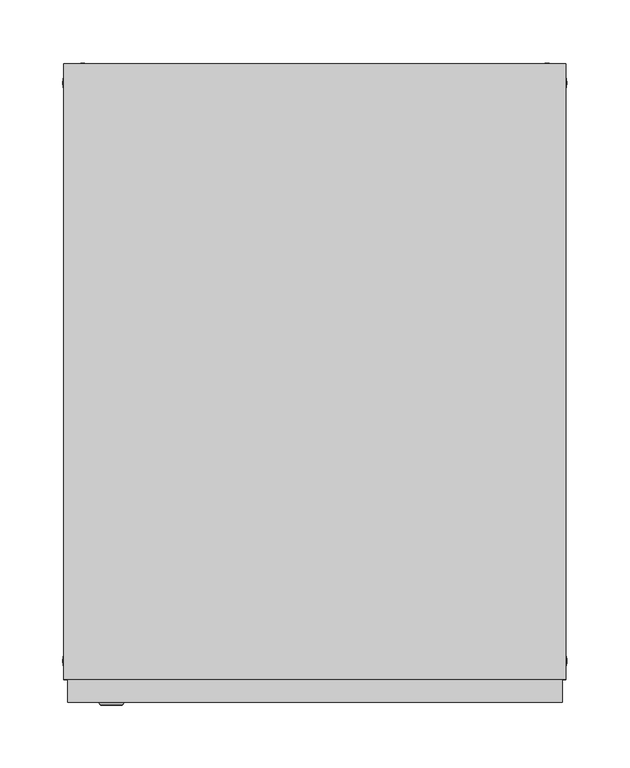
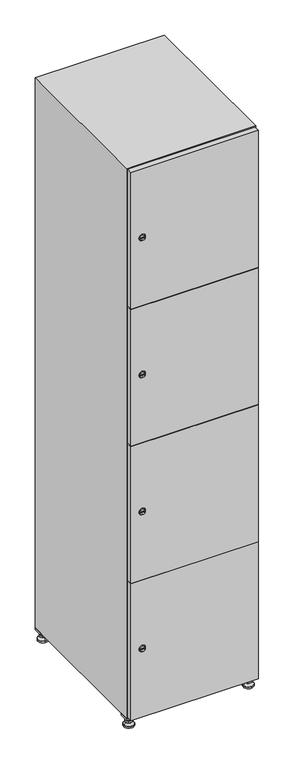
"""IFC4 building model written with IfcOpenShell, lengths in millimetres: furniture geometry."""

from ifc_helpers import new_model, si_unit, point, frame, frame_2d, origin, origin_with_axes, place, context, project, spatial, polyline, circle_curve, trimmed, segment, composite_curve, outline, extrude, faceted_brep, source, transform, mapped, element, save
from ifc_brep_helpers import plane_surface, revolved_surface, advanced_brep


def furniture_0603fc95(model_context):
    return source(origin(), model_context, "Body", "SolidModel", [
        extrude(outline(polyline([(200.0, 245.0), (200.0, 215.0), (170.0, 215.0), (170.0, 245.0), (200.0, 245.0)]), holes=[polyline([(198.0, 243.0), (172.0, 243.0), (172.0, 217.0), (198.0, 217.0), (198.0, 243.0)])]), frame((0.0, 0.0, 28.5), z_axis=(0.0, 0.0, 1.0), x_axis=(1.0, 0.0, 0.0)), (0.0, 0.0, 1.0), 6.5),
        extrude(outline(polyline([(170.0, -245.0), (170.0, -215.0), (200.0, -215.0), (200.0, -245.0), (170.0, -245.0)]), holes=[polyline([(172.0, -243.0), (198.0, -243.0), (198.0, -217.0), (172.0, -217.0), (172.0, -243.0)])]), frame((0.0, 0.0, 28.5), z_axis=(0.0, 0.0, 1.0), x_axis=(1.0, 0.0, 0.0)), (0.0, 0.0, 1.0), 6.5),
        extrude(outline(polyline([(-170.0, 245.0), (-170.0, 215.0), (-200.0, 215.0), (-200.0, 245.0), (-170.0, 245.0)]), holes=[polyline([(-172.0, 243.0), (-198.0, 243.0), (-198.0, 217.0), (-172.0, 217.0), (-172.0, 243.0)])]), frame((0.0, 0.0, 28.5), z_axis=(0.0, 0.0, 1.0), x_axis=(1.0, 0.0, 0.0)), (0.0, 0.0, 1.0), 6.5),
        extrude(outline(polyline([(-170.0, -215.0), (-170.0, -245.0), (-200.0, -245.0), (-200.0, -215.0), (-170.0, -215.0)]), holes=[polyline([(-198.0, -243.0), (-172.0, -243.0), (-172.0, -217.0), (-198.0, -217.0), (-198.0, -243.0)])]), frame((0.0, 0.0, 28.5), z_axis=(0.0, 0.0, 1.0), x_axis=(1.0, 0.0, 0.0)), (0.0, 0.0, 1.0), 6.5),
        extrude(outline(composite_curve([segment(trimmed(circle_curve(frame_2d((-185.0, 230.0)), 5.0), [point((-180.0, 230.0))], [point((-190.0, 230.0))], False, "CARTESIAN"), True, "CONTINUOUS"), segment(trimmed(circle_curve(frame_2d((-185.0, 230.0)), 5.0), [point((-190.0, 230.0))], [point((-180.0, 230.0))], False, "CARTESIAN"), True, "CONTINUOUS")], self_intersect=False)), frame((0.0, 0.0, 19.6), z_axis=(0.0, 0.0, 1.0), x_axis=(1.0, 0.0, 0.0)), (0.0, 0.0, 1.0), 15.4),
        extrude(outline(composite_curve([segment(trimmed(circle_curve(frame_2d((-185.0, -230.0)), 5.0), [point((-180.0, -230.0))], [point((-190.0, -230.0))], False, "CARTESIAN"), True, "CONTINUOUS"), segment(trimmed(circle_curve(frame_2d((-185.0, -230.0)), 5.0), [point((-190.0, -230.0))], [point((-180.0, -230.0))], False, "CARTESIAN"), True, "CONTINUOUS")], self_intersect=False)), frame((0.0, 0.0, 19.6), z_axis=(0.0, 0.0, 1.0), x_axis=(1.0, 0.0, 0.0)), (0.0, 0.0, 1.0), 15.4),
        extrude(outline(composite_curve([segment(trimmed(circle_curve(frame_2d((185.0, 230.0)), 5.0), [point((190.0, 230.0))], [point((180.0, 230.0))], False, "CARTESIAN"), True, "CONTINUOUS"), segment(trimmed(circle_curve(frame_2d((185.0, 230.0)), 5.0), [point((180.0, 230.0))], [point((190.0, 230.0))], False, "CARTESIAN"), True, "CONTINUOUS")], self_intersect=False)), frame((0.0, 0.0, 19.6), z_axis=(0.0, 0.0, 1.0), x_axis=(1.0, 0.0, 0.0)), (0.0, 0.0, 1.0), 15.4),
        extrude(outline(polyline([(173.4529946, 230.0), (179.2264973, 240.0), (190.7735027, 240.0), (196.5470054, 230.0), (190.7735027, 220.0), (179.2264973, 220.0), (173.4529946, 230.0)])), frame((0.0, 0.0, 13.6), z_axis=(0.0, 0.0, 1.0), x_axis=(1.0, 0.0, 0.0)), (0.0, 0.0, 1.0), 6.0),
        extrude(outline(composite_curve([segment(trimmed(circle_curve(frame_2d((185.0, -230.0)), 5.0), [point((190.0, -230.0))], [point((180.0, -230.0))], False, "CARTESIAN"), True, "CONTINUOUS"), segment(trimmed(circle_curve(frame_2d((185.0, -230.0)), 5.0), [point((180.0, -230.0))], [point((190.0, -230.0))], False, "CARTESIAN"), True, "CONTINUOUS")], self_intersect=False)), frame((0.0, 0.0, 19.6), z_axis=(0.0, 0.0, 1.0), x_axis=(1.0, 0.0, 0.0)), (0.0, 0.0, 1.0), 15.4),
        extrude(outline(polyline([(173.4529946, -230.0), (179.2264973, -220.0), (190.7735027, -220.0), (196.5470054, -230.0), (190.7735027, -240.0), (179.2264973, -240.0), (173.4529946, -230.0)])), frame((0.0, 0.0, 13.6), z_axis=(0.0, 0.0, 1.0), x_axis=(1.0, 0.0, 0.0)), (0.0, 0.0, 1.0), 6.0),
        extrude(outline(composite_curve([segment(trimmed(circle_curve(frame_2d((185.0, 230.0)), 5.0), [point((190.0, 230.0))], [point((180.0, 230.0))], False, "CARTESIAN"), True, "CONTINUOUS"), segment(trimmed(circle_curve(frame_2d((185.0, 230.0)), 5.0), [point((180.0, 230.0))], [point((190.0, 230.0))], False, "CARTESIAN"), True, "CONTINUOUS")], self_intersect=False)), frame((0.0, 0.0, 12.1), z_axis=(0.0, 0.0, 1.0), x_axis=(1.0, 0.0, 0.0)), (0.0, 0.0, 1.0), 1.5),
        extrude(outline(composite_curve([segment(trimmed(circle_curve(frame_2d((185.0, -230.0)), 5.0), [point((190.0, -230.0))], [point((180.0, -230.0))], False, "CARTESIAN"), True, "CONTINUOUS"), segment(trimmed(circle_curve(frame_2d((185.0, -230.0)), 5.0), [point((180.0, -230.0))], [point((190.0, -230.0))], False, "CARTESIAN"), True, "CONTINUOUS")], self_intersect=False)), frame((0.0, 0.0, 12.1), z_axis=(0.0, 0.0, 1.0), x_axis=(1.0, 0.0, 0.0)), (0.0, 0.0, 1.0), 1.5),
        extrude(outline(polyline([(-196.5470054, 230.0), (-190.7735027, 240.0), (-179.2264973, 240.0), (-173.4529946, 230.0), (-179.2264973, 220.0), (-190.7735027, 220.0), (-196.5470054, 230.0)])), frame((0.0, 0.0, 13.6), z_axis=(0.0, 0.0, 1.0), x_axis=(1.0, 0.0, 0.0)), (0.0, 0.0, 1.0), 6.0),
        extrude(outline(polyline([(-196.5470054, -230.0), (-190.7735027, -220.0), (-179.2264973, -220.0), (-173.4529946, -230.0), (-179.2264973, -240.0), (-190.7735027, -240.0), (-196.5470054, -230.0)])), frame((0.0, 0.0, 13.6), z_axis=(0.0, 0.0, 1.0), x_axis=(1.0, 0.0, 0.0)), (0.0, 0.0, 1.0), 6.0),
        extrude(outline(composite_curve([segment(trimmed(circle_curve(frame_2d((-185.0, 230.0)), 5.0), [point((-185.0, 235.0))], [point((-185.0, 225.0))], False, "CARTESIAN"), True, "CONTINUOUS"), segment(trimmed(circle_curve(frame_2d((-185.0, 230.0)), 5.0), [point((-185.0, 225.0))], [point((-185.0, 235.0))], False, "CARTESIAN"), True, "CONTINUOUS")], self_intersect=False)), frame((0.0, 0.0, 12.1), z_axis=(0.0, 0.0, 1.0), x_axis=(1.0, 0.0, 0.0)), (0.0, 0.0, 1.0), 1.5),
        extrude(outline(composite_curve([segment(trimmed(circle_curve(frame_2d((-185.0, -230.0)), 5.0), [point((-180.0, -230.0))], [point((-190.0, -230.0))], False, "CARTESIAN"), True, "CONTINUOUS"), segment(trimmed(circle_curve(frame_2d((-185.0, -230.0)), 5.0), [point((-190.0, -230.0))], [point((-180.0, -230.0))], False, "CARTESIAN"), True, "CONTINUOUS")], self_intersect=False)), frame((0.0, 0.0, 12.1), z_axis=(0.0, 0.0, 1.0), x_axis=(1.0, 0.0, 0.0)), (0.0, 0.0, 1.0), 1.5),
        extrude(outline(composite_curve([segment(trimmed(circle_curve(frame_2d((185.0, 230.0)), 15.75), [point((200.75, 230.0))], [point((169.25, 230.0))], False, "CARTESIAN"), True, "CONTINUOUS"), segment(trimmed(circle_curve(frame_2d((185.0, 230.0)), 15.75), [point((169.25, 230.0))], [point((200.75, 230.0))], False, "CARTESIAN"), True, "CONTINUOUS")], self_intersect=False)), origin_with_axes(), (0.0, 0.0, 1.0), 5.1),
        extrude(outline(composite_curve([segment(trimmed(circle_curve(frame_2d((185.0, -230.0)), 15.75), [point((185.0, -214.25))], [point((185.0, -245.75))], False, "CARTESIAN"), True, "CONTINUOUS"), segment(trimmed(circle_curve(frame_2d((185.0, -230.0)), 15.75), [point((185.0, -245.75))], [point((185.0, -214.25))], False, "CARTESIAN"), True, "CONTINUOUS")], self_intersect=False)), origin_with_axes(), (0.0, 0.0, 1.0), 5.1),
        extrude(outline(composite_curve([segment(trimmed(circle_curve(frame_2d((-185.0, -230.0)), 15.75), [point((-169.25, -230.0))], [point((-200.75, -230.0))], False, "CARTESIAN"), True, "CONTINUOUS"), segment(trimmed(circle_curve(frame_2d((-185.0, -230.0)), 15.75), [point((-200.75, -230.0))], [point((-169.25, -230.0))], False, "CARTESIAN"), True, "CONTINUOUS")], self_intersect=False)), origin_with_axes(), (0.0, 0.0, 1.0), 5.1),
        extrude(outline(composite_curve([segment(trimmed(circle_curve(frame_2d((-185.0, 230.0)), 15.75), [point((-169.25, 230.0))], [point((-200.75, 230.0))], False, "CARTESIAN"), True, "CONTINUOUS"), segment(trimmed(circle_curve(frame_2d((-185.0, 230.0)), 15.75), [point((-200.75, 230.0))], [point((-169.25, 230.0))], False, "CARTESIAN"), True, "CONTINUOUS")], self_intersect=False)), origin_with_axes(), (0.0, 0.0, 1.0), 5.1),
        advanced_brep(
        [(-185.0, 239.5, 12.1), (-185.0, 220.5, 12.1), (-185.0, 214.25, 5.1), (-185.0, 245.75, 5.1)],
        [
            (0, 1, circle_curve(frame((-185.0, 230.0, 12.1), z_axis=(0.0, 0.0, -1.0), x_axis=(0.0, 1.0, 0.0)), 9.5)),
            (1, 2),
            (2, 3, circle_curve(frame((-185.0, 230.0, 5.1), z_axis=(0.0, 0.0, 1.0), x_axis=(0.0, 1.0, 0.0)), 15.75)),
            (3, 0),
            (1, 0, circle_curve(frame((-185.0, 230.0, 12.1), z_axis=(0.0, 0.0, -1.0), x_axis=(0.0, -1.0, 0.0)), 9.5)),
            (3, 2, circle_curve(frame((-185.0, 230.0, 5.1), z_axis=(0.0, 0.0, 1.0), x_axis=(0.0, -1.0, 0.0)), 15.75)),
        ],
        [
            revolved_surface(polyline([(-185.0, 220.5, 12.099999999999998), (-185.0, 214.25, 5.099999999999998)]), (-185.0, 230.0, 22.74), (0.0, 0.0, -1.0)),
            revolved_surface(polyline([(-185.0, 239.5, 12.099999999999998), (-185.0, 245.75, 5.099999999999998)]), (-185.0, 230.0, 22.74), (0.0, 0.0, -1.0)),
            plane_surface(frame((-185.0, 230.0, 5.1), z_axis=(0.0, 0.0, -1.0), x_axis=(1.0, 0.0, 0.0))),
            plane_surface(frame((-185.0, 230.0, 12.1), z_axis=(0.0, 0.0, 1.0), x_axis=(1.0, 0.0, 0.0))),
        ],
        [
            (0, [[1, 2, 3, 4]]),
            (1, [[5, -4, 6, -2]]),
            (2, [[-3, -6]]),
            (3, [[-5, -1]]),
        ],
    ),
        advanced_brep(
        [(185.0, 239.5, 12.1), (185.0, 220.5, 12.1), (185.0, 214.25, 5.1), (185.0, 245.75, 5.1)],
        [
            (0, 1, circle_curve(frame((185.0, 230.0, 12.1), z_axis=(0.0, 0.0, -1.0), x_axis=(0.0, 1.0, 0.0)), 9.5)),
            (1, 2),
            (2, 3, circle_curve(frame((185.0, 230.0, 5.1), z_axis=(0.0, 0.0, 1.0), x_axis=(0.0, 1.0, 0.0)), 15.75)),
            (3, 0),
            (1, 0, circle_curve(frame((185.0, 230.0, 12.1), z_axis=(0.0, 0.0, -1.0), x_axis=(0.0, -1.0, 0.0)), 9.5)),
            (3, 2, circle_curve(frame((185.0, 230.0, 5.1), z_axis=(0.0, 0.0, 1.0), x_axis=(0.0, -1.0, 0.0)), 15.75)),
        ],
        [
            revolved_surface(polyline([(185.0, 220.5, 12.099999999999998), (185.0, 214.25, 5.099999999999998)]), (185.0, 230.0, 22.74), (0.0, 0.0, -1.0)),
            revolved_surface(polyline([(185.0, 239.5, 12.099999999999998), (185.0, 245.75, 5.099999999999998)]), (185.0, 230.0, 22.74), (0.0, 0.0, -1.0)),
            plane_surface(frame((185.0, 230.0, 5.1), z_axis=(0.0, 0.0, -1.0), x_axis=(1.0, 0.0, 0.0))),
            plane_surface(frame((185.0, 230.0, 12.1), z_axis=(0.0, 0.0, 1.0), x_axis=(1.0, 0.0, 0.0))),
        ],
        [
            (0, [[1, 2, 3, 4]]),
            (1, [[5, -4, 6, -2]]),
            (2, [[-3, -6]]),
            (3, [[-5, -1]]),
        ],
    ),
        advanced_brep(
        [(200.75, -230.0, 5.1), (169.25, -230.0, 5.1), (175.5, -230.0, 12.1), (194.5, -230.0, 12.1)],
        [
            (0, 1, circle_curve(frame((185.0, -230.0, 5.1), z_axis=(0.0, 0.0, 1.0), x_axis=(1.0, 0.0, 0.0)), 15.75)),
            (1, 2),
            (2, 3, circle_curve(frame((185.0, -230.0, 12.1), z_axis=(0.0, 0.0, -1.0), x_axis=(1.0, 0.0, 0.0)), 9.5)),
            (3, 0),
            (1, 0, circle_curve(frame((185.0, -230.0, 5.1), z_axis=(0.0, 0.0, 1.0), x_axis=(-1.0, 0.0, 0.0)), 15.75)),
            (3, 2, circle_curve(frame((185.0, -230.0, 12.1), z_axis=(0.0, 0.0, -1.0), x_axis=(-1.0, 0.0, 0.0)), 9.5)),
        ],
        [
            revolved_surface(polyline([(194.5, -230.0, 12.099999999999998), (200.75, -230.0, 5.099999999999998)]), (185.0, -230.0, 22.74), (0.0, 0.0, -1.0)),
            revolved_surface(polyline([(175.5, -230.0, 12.099999999999998), (169.25, -230.0, 5.099999999999998)]), (185.0, -230.0, 22.74), (0.0, 0.0, -1.0)),
            plane_surface(frame((185.0, -230.0, 12.1), z_axis=(0.0, 0.0, 1.0), x_axis=(0.0, 1.0, 0.0))),
            plane_surface(frame((185.0, -230.0, 5.1), z_axis=(0.0, 0.0, -1.0), x_axis=(0.0, 1.0, 0.0))),
        ],
        [
            (0, [[1, 2, 3, 4]]),
            (1, [[5, -4, 6, -2]]),
            (2, [[-3, -6]]),
            (3, [[-5, -1]]),
        ],
    ),
        advanced_brep(
        [(-169.25, -230.0, 5.1), (-200.75, -230.0, 5.1), (-194.5, -230.0, 12.1), (-175.5, -230.0, 12.1)],
        [
            (0, 1, circle_curve(frame((-185.0, -230.0, 5.1), z_axis=(0.0, 0.0, 1.0), x_axis=(1.0, 0.0, 0.0)), 15.75)),
            (1, 2),
            (2, 3, circle_curve(frame((-185.0, -230.0, 12.1), z_axis=(0.0, 0.0, -1.0), x_axis=(1.0, 0.0, 0.0)), 9.5)),
            (3, 0),
            (1, 0, circle_curve(frame((-185.0, -230.0, 5.1), z_axis=(0.0, 0.0, 1.0), x_axis=(-1.0, 0.0, 0.0)), 15.75)),
            (3, 2, circle_curve(frame((-185.0, -230.0, 12.1), z_axis=(0.0, 0.0, -1.0), x_axis=(-1.0, 0.0, 0.0)), 9.5)),
        ],
        [
            revolved_surface(polyline([(-175.5, -230.0, 12.099999999999998), (-169.25, -230.0, 5.099999999999998)]), (-185.0, -230.0, 22.74), (0.0, 0.0, -1.0)),
            revolved_surface(polyline([(-194.5, -230.0, 12.099999999999998), (-200.75, -230.0, 5.099999999999998)]), (-185.0, -230.0, 22.74), (0.0, 0.0, -1.0)),
            plane_surface(frame((-185.0, -230.0, 12.1), z_axis=(0.0, 0.0, 1.0), x_axis=(0.0, 1.0, 0.0))),
            plane_surface(frame((-185.0, -230.0, 5.1), z_axis=(0.0, 0.0, -1.0), x_axis=(0.0, 1.0, 0.0))),
        ],
        [
            (0, [[1, 2, 3, 4]]),
            (1, [[5, -4, 6, -2]]),
            (2, [[-3, -6]]),
            (3, [[-5, -1]]),
        ],
    ),
        extrude(outline(composite_curve([segment(trimmed(circle_curve(frame_2d((262.25, -188.7989466)), 7.0), [point((269.25, -188.7989466))], [point((255.25, -188.7989466))], False, "CARTESIAN"), True, "CONTINUOUS"), segment(polyline([(255.25, -188.7989466), (255.25, -160.7989466)]), True, "CONTINUOUS"), segment(trimmed(circle_curve(frame_2d((262.25, -160.7989466)), 7.0), [point((255.25, -160.7989466))], [point((269.25, -160.7989466))], False, "CARTESIAN"), True, "CONTINUOUS"), segment(polyline([(269.25, -160.7989466), (269.25, -188.7989466)]), True, "CONTINUOUS")], self_intersect=False)), frame((0.0, -245.0, 0.0), z_axis=(0.0, 1.0, 0.0), x_axis=(0.0, 0.0, 1.0)), (0.0, 0.0, 1.0), 2.0),
        advanced_brep(
        [(-153.5, -265.2, 262.25), (-170.5, -265.2, 262.25), (-167.0, -265.2, 261.0), (-167.0, -265.2, 263.5), (-157.0, -265.2, 263.5), (-157.0, -265.2, 261.0), (-151.5, -263.0, 262.25), (-172.5, -263.0, 262.25), (-167.0, -263.0, 263.5), (-167.0, -263.0, 261.0), (-157.0, -263.0, 261.0), (-157.0, -263.0, 263.5)],
        [
            (0, 1, circle_curve(frame((-162.0, -265.2, 262.25), z_axis=(0.0, -1.0, 0.0), x_axis=(1.0, 0.0, 0.0)), 8.5)),
            (1, 0, circle_curve(frame((-162.0, -265.2, 262.25), z_axis=(0.0, -1.0, 0.0), x_axis=(-1.0, 0.0, 0.0)), 8.5)),
            (2, 3),
            (3, 4),
            (4, 5),
            (5, 2),
            (6, 7, circle_curve(frame((-162.0, -263.0, 262.25), z_axis=(0.0, 1.0, 0.0), x_axis=(-1.0, 0.0, 0.0)), 10.5)),
            (7, 6, circle_curve(frame((-162.0, -263.0, 262.25), z_axis=(0.0, 1.0, 0.0), x_axis=(1.0, 0.0, 0.0)), 10.5)),
            (8, 9),
            (9, 10),
            (10, 11),
            (11, 8),
            (0, 6),
            (7, 1),
            (8, 3),
            (2, 9),
            (11, 4),
            (10, 5),
        ],
        [
            plane_surface(frame((-162.0, -265.2, 262.25), z_axis=(0.0, -1.0, 0.0), x_axis=(0.0, 0.0, 1.0))),
            plane_surface(frame((-162.0, -263.0, 262.25), z_axis=(0.0, 1.0, 0.0), x_axis=(0.0, 0.0, 1.0))),
            revolved_surface(polyline([(-153.5, -265.2, 262.25), (-151.5, -263.0, 262.25)]), (-162.0, -274.55, 262.25), (0.0, 1.0, 0.0)),
            revolved_surface(polyline([(-170.5, -265.2, 262.25), (-172.5, -263.0, 262.25)]), (-162.0, -274.55, 262.25), (0.0, 1.0, 0.0)),
            plane_surface(frame((-167.0, -263.0, 261.0), z_axis=(1.0, 0.0, 0.0), x_axis=(0.0, -1.0, 0.0))),
            plane_surface(frame((-167.0, -263.0, 263.5), z_axis=(0.0, 0.0, -1.0), x_axis=(0.0, -1.0, 0.0))),
            plane_surface(frame((-157.0, -263.0, 263.5), z_axis=(-1.0, 0.0, 0.0), x_axis=(0.0, -1.0, 0.0))),
            plane_surface(frame((-157.0, -263.0, 261.0), z_axis=(0.0, 0.0, 1.0), x_axis=(0.0, -1.0, 0.0))),
        ],
        [
            (0, [[1, 2], [3, 4, 5, 6]]),
            (1, [[7, 8], [9, 10, 11, 12]]),
            (2, [[-1, 13, -8, 14]]),
            (3, [[-2, -14, -7, -13]]),
            (4, [[15, -3, 16, -9]]),
            (5, [[-15, -12, 17, -4]]),
            (6, [[-17, -11, 18, -5]]),
            (7, [[-16, -6, -18, -10]]),
        ],
    ),
        extrude(outline(composite_curve([segment(trimmed(circle_curve(frame_2d((710.75, -188.7989466)), 7.0), [point((717.75, -188.7989466))], [point((703.75, -188.7989466))], False, "CARTESIAN"), True, "CONTINUOUS"), segment(polyline([(703.75, -188.7989466), (703.75, -160.7989466)]), True, "CONTINUOUS"), segment(trimmed(circle_curve(frame_2d((710.75, -160.7989466)), 7.0), [point((703.75, -160.7989466))], [point((717.75, -160.7989466))], False, "CARTESIAN"), True, "CONTINUOUS"), segment(polyline([(717.75, -160.7989466), (717.75, -188.7989466)]), True, "CONTINUOUS")], self_intersect=False)), frame((0.0, -245.0, 0.0), z_axis=(0.0, 1.0, 0.0), x_axis=(0.0, 0.0, 1.0)), (0.0, 0.0, 1.0), 2.0),
        advanced_brep(
        [(-153.5, -265.2, 710.75), (-170.5, -265.2, 710.75), (-167.0, -265.2, 709.5), (-167.0, -265.2, 712.0), (-157.0, -265.2, 712.0), (-157.0, -265.2, 709.5), (-151.5, -263.0, 710.75), (-172.5, -263.0, 710.75), (-167.0, -263.0, 712.0), (-167.0, -263.0, 709.5), (-157.0, -263.0, 709.5), (-157.0, -263.0, 712.0)],
        [
            (0, 1, circle_curve(frame((-162.0, -265.2, 710.75), z_axis=(0.0, -1.0, 0.0), x_axis=(1.0, 0.0, 0.0)), 8.5)),
            (1, 0, circle_curve(frame((-162.0, -265.2, 710.75), z_axis=(0.0, -1.0, 0.0), x_axis=(-1.0, 0.0, 0.0)), 8.5)),
            (2, 3),
            (3, 4),
            (4, 5),
            (5, 2),
            (6, 7, circle_curve(frame((-162.0, -263.0, 710.75), z_axis=(0.0, 1.0, 0.0), x_axis=(-1.0, 0.0, 0.0)), 10.5)),
            (7, 6, circle_curve(frame((-162.0, -263.0, 710.75), z_axis=(0.0, 1.0, 0.0), x_axis=(1.0, 0.0, 0.0)), 10.5)),
            (8, 9),
            (9, 10),
            (10, 11),
            (11, 8),
            (0, 6),
            (7, 1),
            (8, 3),
            (2, 9),
            (11, 4),
            (10, 5),
        ],
        [
            plane_surface(frame((-162.0, -265.2, 710.75), z_axis=(0.0, -1.0, 0.0), x_axis=(0.0, 0.0, 1.0))),
            plane_surface(frame((-162.0, -263.0, 710.75), z_axis=(0.0, 1.0, 0.0), x_axis=(0.0, 0.0, 1.0))),
            revolved_surface(polyline([(-153.5, -265.2, 710.75), (-151.5, -263.0, 710.75)]), (-162.0, -274.55, 710.75), (0.0, 1.0, 0.0)),
            revolved_surface(polyline([(-170.5, -265.2, 710.75), (-172.5, -263.0, 710.75)]), (-162.0, -274.55, 710.75), (0.0, 1.0, 0.0)),
            plane_surface(frame((-167.0, -263.0, 709.5), z_axis=(1.0, 0.0, 0.0), x_axis=(0.0, -1.0, 0.0))),
            plane_surface(frame((-167.0, -263.0, 712.0), z_axis=(0.0, 0.0, -1.0), x_axis=(0.0, -1.0, 0.0))),
            plane_surface(frame((-157.0, -263.0, 712.0), z_axis=(-1.0, 0.0, 0.0), x_axis=(0.0, -1.0, 0.0))),
            plane_surface(frame((-157.0, -263.0, 709.5), z_axis=(0.0, 0.0, 1.0), x_axis=(0.0, -1.0, 0.0))),
        ],
        [
            (0, [[1, 2], [3, 4, 5, 6]]),
            (1, [[7, 8], [9, 10, 11, 12]]),
            (2, [[-1, 13, -8, 14]]),
            (3, [[-2, -14, -7, -13]]),
            (4, [[15, -3, 16, -9]]),
            (5, [[-15, -12, 17, -4]]),
            (6, [[-17, -11, 18, -5]]),
            (7, [[-16, -6, -18, -10]]),
        ],
    ),
        extrude(outline(composite_curve([segment(trimmed(circle_curve(frame_2d((1159.25, -188.7989466)), 7.0), [point((1166.25, -188.7989466))], [point((1152.25, -188.7989466))], False, "CARTESIAN"), True, "CONTINUOUS"), segment(polyline([(1152.25, -188.7989466), (1152.25, -160.7989466)]), True, "CONTINUOUS"), segment(trimmed(circle_curve(frame_2d((1159.25, -160.7989466)), 7.0), [point((1152.25, -160.7989466))], [point((1166.25, -160.7989466))], False, "CARTESIAN"), True, "CONTINUOUS"), segment(polyline([(1166.25, -160.7989466), (1166.25, -188.7989466)]), True, "CONTINUOUS")], self_intersect=False)), frame((0.0, -245.0, 0.0), z_axis=(0.0, 1.0, 0.0), x_axis=(0.0, 0.0, 1.0)), (0.0, 0.0, 1.0), 2.0),
        advanced_brep(
        [(-153.5, -265.2, 1159.25), (-170.5, -265.2, 1159.25), (-167.0, -265.2, 1158.0), (-167.0, -265.2, 1160.5), (-157.0, -265.2, 1160.5), (-157.0, -265.2, 1158.0), (-151.5, -263.0, 1159.25), (-172.5, -263.0, 1159.25), (-167.0, -263.0, 1160.5), (-167.0, -263.0, 1158.0), (-157.0, -263.0, 1158.0), (-157.0, -263.0, 1160.5)],
        [
            (0, 1, circle_curve(frame((-162.0, -265.2, 1159.25), z_axis=(0.0, -1.0, 0.0), x_axis=(1.0, 0.0, 0.0)), 8.5)),
            (1, 0, circle_curve(frame((-162.0, -265.2, 1159.25), z_axis=(0.0, -1.0, 0.0), x_axis=(-1.0, 0.0, 0.0)), 8.5)),
            (2, 3),
            (3, 4),
            (4, 5),
            (5, 2),
            (6, 7, circle_curve(frame((-162.0, -263.0, 1159.25), z_axis=(0.0, 1.0, 0.0), x_axis=(-1.0, 0.0, 0.0)), 10.5)),
            (7, 6, circle_curve(frame((-162.0, -263.0, 1159.25), z_axis=(0.0, 1.0, 0.0), x_axis=(1.0, 0.0, 0.0)), 10.5)),
            (8, 9),
            (9, 10),
            (10, 11),
            (11, 8),
            (0, 6),
            (7, 1),
            (8, 3),
            (2, 9),
            (11, 4),
            (10, 5),
        ],
        [
            plane_surface(frame((-162.0, -265.2, 1159.25), z_axis=(0.0, -1.0, 0.0), x_axis=(0.0, 0.0, 1.0))),
            plane_surface(frame((-162.0, -263.0, 1159.25), z_axis=(0.0, 1.0, 0.0), x_axis=(0.0, 0.0, 1.0))),
            revolved_surface(polyline([(-153.5, -265.2, 1159.25), (-151.5, -263.0, 1159.25)]), (-162.0, -274.55, 1159.25), (0.0, 1.0, 0.0)),
            revolved_surface(polyline([(-170.5, -265.2, 1159.25), (-172.5, -263.0, 1159.25)]), (-162.0, -274.55, 1159.25), (0.0, 1.0, 0.0)),
            plane_surface(frame((-167.0, -263.0, 1158.0), z_axis=(1.0, 0.0, 0.0), x_axis=(0.0, -1.0, 0.0))),
            plane_surface(frame((-167.0, -263.0, 1160.5), z_axis=(0.0, 0.0, -1.0), x_axis=(0.0, -1.0, 0.0))),
            plane_surface(frame((-157.0, -263.0, 1160.5), z_axis=(-1.0, 0.0, 0.0), x_axis=(0.0, -1.0, 0.0))),
            plane_surface(frame((-157.0, -263.0, 1158.0), z_axis=(0.0, 0.0, 1.0), x_axis=(0.0, -1.0, 0.0))),
        ],
        [
            (0, [[1, 2], [3, 4, 5, 6]]),
            (1, [[7, 8], [9, 10, 11, 12]]),
            (2, [[-1, 13, -8, 14]]),
            (3, [[-2, -14, -7, -13]]),
            (4, [[15, -3, 16, -9]]),
            (5, [[-15, -12, 17, -4]]),
            (6, [[-17, -11, 18, -5]]),
            (7, [[-16, -6, -18, -10]]),
        ],
    ),
        extrude(outline(composite_curve([segment(trimmed(circle_curve(frame_2d((1607.75, -188.7989466)), 7.0), [point((1614.75, -188.7989466))], [point((1600.75, -188.7989466))], False, "CARTESIAN"), True, "CONTINUOUS"), segment(polyline([(1600.75, -188.7989466), (1600.75, -160.7989466)]), True, "CONTINUOUS"), segment(trimmed(circle_curve(frame_2d((1607.75, -160.7989466)), 7.0), [point((1600.75, -160.7989466))], [point((1614.75, -160.7989466))], False, "CARTESIAN"), True, "CONTINUOUS"), segment(polyline([(1614.75, -160.7989466), (1614.75, -188.7989466)]), True, "CONTINUOUS")], self_intersect=False)), frame((0.0, -245.0, 0.0), z_axis=(0.0, 1.0, 0.0), x_axis=(0.0, 0.0, 1.0)), (0.0, 0.0, 1.0), 2.0),
        advanced_brep(
        [(-153.5, -265.2, 1607.75), (-170.5, -265.2, 1607.75), (-167.0, -265.2, 1606.5), (-167.0, -265.2, 1609.0), (-157.0, -265.2, 1609.0), (-157.0, -265.2, 1606.5), (-151.5, -263.0, 1607.75), (-172.5, -263.0, 1607.75), (-167.0, -263.0, 1609.0), (-167.0, -263.0, 1606.5), (-157.0, -263.0, 1606.5), (-157.0, -263.0, 1609.0)],
        [
            (0, 1, circle_curve(frame((-162.0, -265.2, 1607.75), z_axis=(0.0, -1.0, 0.0), x_axis=(1.0, 0.0, 0.0)), 8.5)),
            (1, 0, circle_curve(frame((-162.0, -265.2, 1607.75), z_axis=(0.0, -1.0, 0.0), x_axis=(-1.0, 0.0, 0.0)), 8.5)),
            (2, 3),
            (3, 4),
            (4, 5),
            (5, 2),
            (6, 7, circle_curve(frame((-162.0, -263.0, 1607.75), z_axis=(0.0, 1.0, 0.0), x_axis=(-1.0, 0.0, 0.0)), 10.5)),
            (7, 6, circle_curve(frame((-162.0, -263.0, 1607.75), z_axis=(0.0, 1.0, 0.0), x_axis=(1.0, 0.0, 0.0)), 10.5)),
            (8, 9),
            (9, 10),
            (10, 11),
            (11, 8),
            (0, 6),
            (7, 1),
            (8, 3),
            (2, 9),
            (11, 4),
            (10, 5),
        ],
        [
            plane_surface(frame((-162.0, -265.2, 1607.75), z_axis=(0.0, -1.0, 0.0), x_axis=(0.0, 0.0, 1.0))),
            plane_surface(frame((-162.0, -263.0, 1607.75), z_axis=(0.0, 1.0, 0.0), x_axis=(0.0, 0.0, 1.0))),
            revolved_surface(polyline([(-153.5, -265.2, 1607.75), (-151.5, -263.0, 1607.75)]), (-162.0, -274.55, 1607.75), (0.0, 1.0, 0.0)),
            revolved_surface(polyline([(-170.5, -265.2, 1607.75), (-172.5, -263.0, 1607.75)]), (-162.0, -274.55, 1607.75), (0.0, 1.0, 0.0)),
            plane_surface(frame((-167.0, -263.0, 1606.5), z_axis=(1.0, 0.0, 0.0), x_axis=(0.0, -1.0, 0.0))),
            plane_surface(frame((-167.0, -263.0, 1609.0), z_axis=(0.0, 0.0, -1.0), x_axis=(0.0, -1.0, 0.0))),
            plane_surface(frame((-157.0, -263.0, 1609.0), z_axis=(-1.0, 0.0, 0.0), x_axis=(0.0, -1.0, 0.0))),
            plane_surface(frame((-157.0, -263.0, 1606.5), z_axis=(0.0, 0.0, 1.0), x_axis=(0.0, -1.0, 0.0))),
        ],
        [
            (0, [[1, 2], [3, 4, 5, 6]]),
            (1, [[7, 8], [9, 10, 11, 12]]),
            (2, [[-1, 13, -8, 14]]),
            (3, [[-2, -14, -7, -13]]),
            (4, [[15, -3, 16, -9]]),
            (5, [[-15, -12, 17, -4]]),
            (6, [[-17, -11, 18, -5]]),
            (7, [[-16, -6, -18, -10]]),
        ],
    ),
        extrude(outline(polyline([(197.0, -245.0), (197.0, -263.0), (-197.0, -263.0), (-197.0, -245.0), (197.0, -245.0)])), frame((0.0, 0.0, 486.0), z_axis=(0.0, 0.0, 1.0), x_axis=(1.0, 0.0, 0.0)), (0.0, 0.0, 1.0), 448.5),
        extrude(outline(polyline([(197.0, -245.0), (197.0, -263.0), (-197.0, -263.0), (-197.0, -245.0), (197.0, -245.0)])), frame((0.0, 0.0, 935.5), z_axis=(0.0, 0.0, 1.0), x_axis=(1.0, 0.0, 0.0)), (0.0, 0.0, 1.0), 447.5),
        extrude(outline(polyline([(-197.0, -263.0), (-197.0, -245.0), (197.0, -245.0), (197.0, -263.0), (-197.0, -263.0)])), frame((0.0, 0.0, 1384.0), z_axis=(0.0, 0.0, 1.0), x_axis=(1.0, 0.0, 0.0)), (0.0, 0.0, 1.0), 448.0),
        extrude(outline(polyline([(197.0, -245.0), (197.0, -263.0), (-197.0, -263.0), (-197.0, -245.0), (197.0, -245.0)])), frame((0.0, 0.0, 38.0), z_axis=(0.0, 0.0, 1.0), x_axis=(1.0, 0.0, 0.0)), (0.0, 0.0, 1.0), 449.0),
        extrude(outline(polyline([(179.6, 242.0), (179.6, -227.0), (-179.6, -227.0), (-179.6, 242.0), (179.6, 242.0)])), frame((0.0, 0.0, 1359.7), z_axis=(0.0, 0.0, 1.0), x_axis=(1.0, 0.0, 0.0)), (0.0, 0.0, 1.0), 20.4),
        extrude(outline(polyline([(179.6, 242.0), (179.6, -227.0), (-179.6, -227.0), (-179.6, 242.0), (179.6, 242.0)])), frame((0.0, 0.0, 924.8), z_axis=(0.0, 0.0, 1.0), x_axis=(1.0, 0.0, 0.0)), (0.0, 0.0, 1.0), 20.4),
        extrude(outline(polyline([(179.6, 242.0), (179.6, -227.0), (-179.6, -227.0), (-179.6, 242.0), (179.6, 242.0)])), frame((0.0, 0.0, 489.9), z_axis=(0.0, 0.0, 1.0), x_axis=(1.0, 0.0, 0.0)), (0.0, 0.0, 1.0), 20.4),
        faceted_brep([(200.0, -245.0, 35.0), (200.0, -245.0, 1835.0), (-200.0, -245.0, 1835.0), (-200.0, -245.0, 35.0), (179.6, -245.0, 1804.8), (179.6, -245.0, 65.2), (-179.6, -245.0, 65.2), (-179.6, -245.0, 1804.8), (200.0, 245.0, 35.0), (-200.0, 245.0, 35.0), (200.0, 245.0, 1835.0), (-200.0, 245.0, 1835.0), (179.6, 242.0, 1804.8), (179.6, 242.0, 65.2), (-200.0, 245.0, 1804.8), (-179.6, 242.0, 1804.8), (-179.6, 242.0, 65.2)], [[[0, 1, 2, 3], [4, 5, 6, 7]], [[8, 0, 3, 9]], [[1, 0, 8, 10]], [[1, 10, 11, 2]], [[4, 12, 13, 5]], [[9, 3, 2, 11, 14]], [[10, 8, 9, 14, 11]], [[12, 15, 16, 13]], [[15, 7, 6, 16]], [[4, 7, 15, 12]], [[6, 5, 13, 16]]]),
    ])


if __name__ == "__main__":
    model = new_model("IFC4")
    model_context = context("Model", 3, world=origin())
    ifc_project = project(units=[si_unit("LENGTHUNIT", "METRE", prefix="MILLI")], contexts=[model_context])
    site = spatial("IfcSite", under=ifc_project)
    building = spatial("IfcBuilding", under=site)
    placement = place(None, origin())
    furniture_shape = furniture_0603fc95(model_context)
    element("IfcFurniture", 1, at=placement, inside=building, context=model_context, shape_type="MappedRepresentation", body=[
        mapped(furniture_shape, transform((0.0, 0.0, 0.0), x_axis=(1.0, 0.0, 0.0), y_axis=(0.0, 1.0, 0.0), z_axis=(0.0, 0.0, 1.0))),
    ])
    save(model, "model.ifc")
